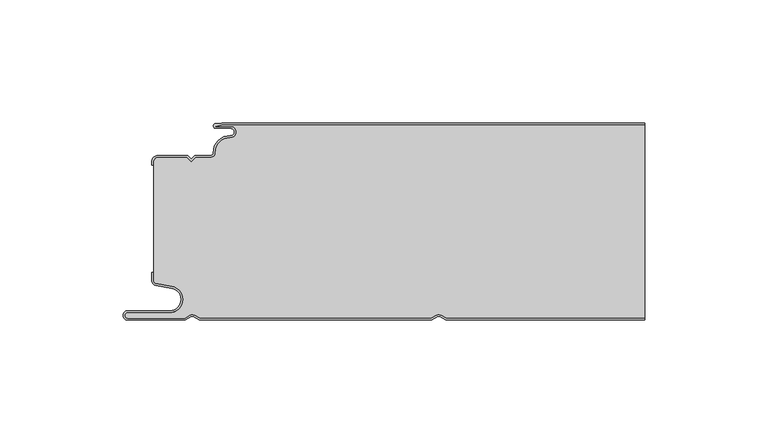
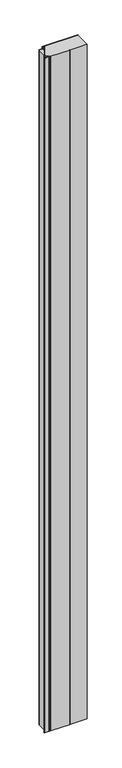
"""IFC4 building model written with IfcOpenShell, lengths in millimetres: plate geometry."""

import ifcopenshell
import ifcopenshell.guid

model = None  # the IFC model being written
_history = None  # IfcOwnerHistory: only IFC2X3 demands one
_inside = {}  # id of a spatial element -> (the spatial element, [elements in it])
_under = {}  # id of a project, library or spatial element -> (it, [spatial elements below it])
_declared = {}  # id of a project -> (the project, [libraries it declares])
_typed = {}  # id of a type object -> (the type object, [elements of that type])
_made_of = {}  # id of a material, layer set ... -> (it, [elements and type objects made of it])


def new_model(schema):
    """Start an empty IFC model of exactly this schema.

    Asked for "IFC4X3", IfcOpenShell would pick the latest addendum, in which some entities
    have other attributes; the version numbers below select the first issue.
    IFC2X3 requires an IfcOwnerHistory on every rooted entity: one is made here for all.
    """
    global model, _history
    if schema == "IFC4X3":
        model = ifcopenshell.file(schema_version=(4, 3, 0, 0))
    else:
        model = ifcopenshell.file(schema=schema)
    _inside.clear()
    _under.clear()
    _declared.clear()
    _typed.clear()
    _made_of.clear()
    _history = None
    if model.schema == "IFC2X3":
        org = make("IfcOrganization", Name="unknown")
        user = make(
            "IfcPersonAndOrganization",
            ThePerson=make("IfcPerson", FamilyName="unknown"),
            TheOrganization=org,
        )
        app = make(
            "IfcApplication",
            ApplicationDeveloper=org,
            Version="unknown",
            ApplicationFullName="unknown",
            ApplicationIdentifier="unknown",
        )
        _history = make(
            "IfcOwnerHistory",
            OwningUser=user,
            OwningApplication=app,
            ChangeAction="ADDED",
            CreationDate=0,
        )
    return model


def make(cls, **values):
    """One entity of the class cls with the attributes given. An attribute that is None is left unset."""
    return model.create_entity(
        cls, **{name: value for name, value in values.items() if value is not None}
    )


def rooted(cls, **values):
    """An entity with a GlobalId (a new one), such as an element, a storey or a relation."""
    return make(cls, GlobalId=ifcopenshell.guid.new(), OwnerHistory=_history, **values)


def si_unit(unit_type, name, prefix=None):
    """IfcSIUnit, for example si_unit("LENGTHUNIT", "METRE", prefix="MILLI")."""
    return make("IfcSIUnit", UnitType=unit_type, Prefix=prefix, Name=name)


def assignment(units):
    """IfcUnitAssignment: the units of a project."""
    return None if units is None else make("IfcUnitAssignment", Units=units)


def point(xyz):
    """IfcCartesianPoint."""
    return None if xyz is None else make("IfcCartesianPoint", Coordinates=xyz)


def direction(xyz):
    """IfcDirection."""
    return None if xyz is None else make("IfcDirection", DirectionRatios=xyz)


def frame(location, z_axis=None, x_axis=None):
    """IfcAxis2Placement3D, a coordinate frame: its origin and axes. An axis left out is left unset."""
    return make(
        "IfcAxis2Placement3D",
        Location=point(location),
        Axis=direction(z_axis),
        RefDirection=direction(x_axis),
    )


def frame_2d(location, x_axis=None):
    """IfcAxis2Placement2D, a coordinate frame in the plane: its origin and x axis."""
    return make(
        "IfcAxis2Placement2D", Location=point(location), RefDirection=direction(x_axis)
    )


def origin():
    """The frame at (0, 0, 0) with its axes left unset."""
    return frame((0.0, 0.0, 0.0))


def origin_with_axes():
    """The frame at (0, 0, 0) with the z axis (0, 0, 1) and the x axis (1, 0, 0) written out."""
    return frame((0.0, 0.0, 0.0), z_axis=(0.0, 0.0, 1.0), x_axis=(1.0, 0.0, 0.0))


def place(relative_to, where):
    """IfcLocalPlacement: puts the frame where relative to a parent placement (None: the world)."""
    return make(
        "IfcLocalPlacement", PlacementRelTo=relative_to, RelativePlacement=where
    )


def context(
    kind, dimensions, precision=None, world=None, true_north=None, identifier=None
):
    """IfcGeometricRepresentationContext, for example the 3D "Model" context."""
    return make(
        "IfcGeometricRepresentationContext",
        ContextIdentifier=identifier,
        ContextType=kind,
        CoordinateSpaceDimension=dimensions,
        Precision=precision,
        WorldCoordinateSystem=world,
        TrueNorth=true_north,
    )


def project(units=None, contexts=None):
    """IfcProject with its units and contexts."""
    return rooted(
        "IfcProject",
        Name="project",
        RepresentationContexts=contexts,
        UnitsInContext=assignment(units),
    )


def spatial(cls, under=None, at=None, **own):
    """A site, building, storey or space (cls), placed at a placement, below another one or the project."""
    s = rooted(cls, ObjectPlacement=at, **own)
    if under is not None:
        _under.setdefault(under.id(), (under, []))[1].append(s)
    return s


def polyline(points):
    """IfcPolyline through the points."""
    return make("IfcPolyline", Points=[point(p) for p in points])


def circle_curve(where, radius):
    """IfcCircle in the frame where."""
    return make("IfcCircle", Position=where, Radius=radius)


def trimmed(basis, trim1, trim2, sense, master):
    """IfcTrimmedCurve: the piece of a basis curve between two trims."""
    return make(
        "IfcTrimmedCurve",
        BasisCurve=basis,
        Trim1=trim1,
        Trim2=trim2,
        SenseAgreement=sense,
        MasterRepresentation=master,
    )


def segment(curve, same_sense, transition):
    """IfcCompositeCurveSegment."""
    return make(
        "IfcCompositeCurveSegment",
        Transition=transition,
        SameSense=same_sense,
        ParentCurve=curve,
    )


def composite_curve(segments, self_intersect=None):
    """IfcCompositeCurve: segments joined end to end."""
    return make("IfcCompositeCurve", Segments=segments, SelfIntersect=self_intersect)


def outline(outer, holes=None, kind="AREA"):
    """IfcArbitraryClosedProfileDef: a profile drawn as a closed curve; with holes, ...WithVoids."""
    if holes is None:
        return make("IfcArbitraryClosedProfileDef", ProfileType=kind, OuterCurve=outer)
    return make(
        "IfcArbitraryProfileDefWithVoids",
        ProfileType=kind,
        OuterCurve=outer,
        InnerCurves=holes,
    )


def extrude(swept, where, along, depth):
    """IfcExtrudedAreaSolid: the profile swept, set in the frame where, extruded along a direction by depth."""
    return make(
        "IfcExtrudedAreaSolid",
        SweptArea=swept,
        Position=where,
        ExtrudedDirection=direction(along),
        Depth=depth,
    )


def shape(context_of_items, identifier, shape_type, items):
    """IfcShapeRepresentation: the items that make up one representation, for example the "Body"."""
    return make(
        "IfcShapeRepresentation",
        ContextOfItems=context_of_items,
        RepresentationIdentifier=identifier,
        RepresentationType=shape_type,
        Items=items,
    )


def source(mapping_origin, context_of_items, identifier, shape_type, items):
    """IfcRepresentationMap: a shape defined once, which mapped items show again and again."""
    return make(
        "IfcRepresentationMap",
        MappingOrigin=mapping_origin,
        MappedRepresentation=shape(context_of_items, identifier, shape_type, items),
    )


def transform(
    local_origin,
    x_axis=None,
    y_axis=None,
    z_axis=None,
    scale=None,
    scale2=None,
    scale3=None,
    uniform=True,
):
    """IfcCartesianTransformationOperator3D, or its non-uniform kind. x_axis, y_axis, z_axis: its Axis1, 2, 3."""
    if uniform:
        return make(
            "IfcCartesianTransformationOperator3D",
            Axis1=direction(x_axis),
            Axis2=direction(y_axis),
            LocalOrigin=point(local_origin),
            Scale=scale,
            Axis3=direction(z_axis),
        )
    return make(
        "IfcCartesianTransformationOperator3DnonUniform",
        Axis1=direction(x_axis),
        Axis2=direction(y_axis),
        LocalOrigin=point(local_origin),
        Scale=scale,
        Axis3=direction(z_axis),
        Scale2=scale2,
        Scale3=scale3,
    )


def mapped(mapping_source, mapping_target):
    """IfcMappedItem: shows the shape of a source again, moved by a transform."""
    return make(
        "IfcMappedItem", MappingSource=mapping_source, MappingTarget=mapping_target
    )


def made_of(thing, what):
    """Note that an element or type object is made of a material, layer set ...; save() writes the relation."""
    if what is not None:
        _made_of.setdefault(what.id(), (what, []))[1].append(thing)
    return thing


def element(
    cls,
    number,
    at=None,
    inside=None,
    cuts=None,
    type_object=None,
    material=None,
    context=None,
    identifier="Body",
    shape_type=None,
    held_by="IfcProductDefinitionShape",
    body=None,
    shapes=None,
    **own,
):
    """One element of the class cls, such as IfcWall. Its Tag is "e" and its number.

    at: its placement. inside: the storey or other place that contains it. cuts: it is an
    opening in that element (IfcRelVoidsElement). A single representation is given by context,
    identifier, shape_type and body (its items); several are given by shapes. held_by: the class
    of the entity that holds the representations. save() writes the other relations.
    """
    e = rooted(cls, Tag="e%d" % number, ObjectPlacement=at, **own)
    if body is not None:
        shapes = [shape(context, identifier, shape_type, body)]
    if shapes is not None:
        e.Representation = make(held_by, Representations=shapes)
    if inside is not None:
        _inside.setdefault(inside.id(), (inside, []))[1].append(e)
    if cuts is not None:
        rooted(
            "IfcRelVoidsElement", RelatingBuildingElement=cuts, RelatedOpeningElement=e
        )
    if type_object is not None:
        _typed.setdefault(type_object.id(), (type_object, []))[1].append(e)
    return made_of(e, material)


def aggregate(whole, parts):
    """IfcRelAggregates: a whole, such as a stair, and the parts it consists of."""
    return rooted("IfcRelAggregates", RelatingObject=whole, RelatedObjects=parts)


def save(model, path):
    """Write the relations noted so far, then the file.

    IfcRelAggregates (storeys below a building ...), IfcRelContainedInSpatialStructure (elements
    in a storey), IfcRelDefinesByType, IfcRelAssociatesMaterial and IfcRelDeclares: one each for
    every whole, place, type object, material and project.
    """
    for whole, parts in _under.values():
        aggregate(whole, parts)
    for where, things in _inside.values():
        rooted(
            "IfcRelContainedInSpatialStructure",
            RelatedElements=things,
            RelatingStructure=where,
        )
    for kind, things in _typed.values():
        rooted("IfcRelDefinesByType", RelatedObjects=things, RelatingType=kind)
    for what, things in _made_of.values():
        rooted("IfcRelAssociatesMaterial", RelatedObjects=things, RelatingMaterial=what)
    for by, libraries in _declared.values():
        rooted("IfcRelDeclares", RelatingContext=by, RelatedDefinitions=libraries)
    model.write(path)


def plane_surface(at):
    """IfcPlane: the flat surface through the origin of the frame at, square to its z axis."""
    return make("IfcPlane", Position=at)


def cylinder_surface(at, radius):
    """IfcCylindricalSurface: all points at the distance radius from the z axis of the frame at."""
    return make("IfcCylindricalSurface", Position=at, Radius=radius)


def revolved_surface(curve, axis_point, axis_direction):
    """IfcSurfaceOfRevolution: the curve turned about the line through axis_point along axis_direction."""
    return make(
        "IfcSurfaceOfRevolution",
        SweptCurve=make("IfcArbitraryOpenProfileDef", ProfileType="CURVE", Curve=curve),
        AxisPosition=make("IfcAxis1Placement", Location=point(axis_point), Axis=direction(axis_direction)),
    )


def advanced_brep(points, edges, surfaces, faces):
    """IfcAdvancedBrep: a solid bounded by faces that lie on surfaces and meet in shared edges.

    An edge is (start, end): straight between two places in points (the first is 0);
    or (start, end, curve); or (start, end, curve, False) where it runs against its curve.
    A face is (place in surfaces, loops), or (place, loops, False) where it looks against
    its surface's normal. A loop lists edges by number (the first is 1), with a minus sign
    where the edge is run from its end to its start. The first loop is the outer one.
    """
    corners = [point(p) for p in points]
    vertices = [make("IfcVertexPoint", VertexGeometry=c) for c in corners]
    made = []
    for start, end, *more in edges:
        made.append(
            make(
                "IfcEdgeCurve",
                EdgeStart=vertices[start],
                EdgeEnd=vertices[end],
                EdgeGeometry=more[0] if more else make("IfcPolyline", Points=[corners[start], corners[end]]),
                SameSense=more[1] if len(more) > 1 else True,
            )
        )
    hull = []
    for where, loops, *sense in faces:
        bounds = []
        for j, loop in enumerate(loops):
            ring = [make("IfcOrientedEdge", EdgeElement=made[abs(k) - 1], Orientation=k > 0) for k in loop]
            bounds.append(
                make(
                    "IfcFaceOuterBound" if j == 0 else "IfcFaceBound",
                    Bound=make("IfcEdgeLoop", EdgeList=ring),
                    Orientation=True,
                )
            )
        hull.append(make("IfcAdvancedFace", Bounds=bounds, FaceSurface=surfaces[where], SameSense=sense[0] if sense else True))
    return make("IfcAdvancedBrep", Outer=make("IfcClosedShell", CfsFaces=hull))


def plate_2a42a762(model_context):
    return source(origin(), model_context, "Body", "SolidModel", [
        advanced_brep(
        [(-71.6637731, -0.8, 3500.0), (-74.0000003, -1.3234618, 3500.0), (-68.0000003, -1.3234618, 3500.0), (-68.1134423, -5.9206625, 3500.0), (-74.1919837, -12.028303, 3500.0), (-76.0000003, -13.9234618, 3500.0), (-82.1686293, -13.9234618, 3500.0), (-84.0000002, -15.7548327, 3500.0), (-85.831371, -13.9234618, 3500.0), (-97.4, -13.9234618, 3500.0), (-99.2, -15.7234618, 3500.0), (-99.2, -64.0038437, 3500.0), (-98.2083778, -65.185613, 3500.0), (-91.7622998, -66.3222305, 3500.0), (-92.7, -77.0401924, 3500.0), (-109.7, -77.0401924, 3500.0), (-109.7, -79.2401924, 3500.0), (-86.6751286, -79.2401924, 3500.0), (-84.45, -77.9555137, 3500.0), (-82.7606357, -77.9494241, 3500.0), (-80.4557934, -79.2, 3500.0), (13.3944866, -79.2, 3500.0), (15.55, -77.9555137, 3500.0), (17.2393643, -77.9494241, 3500.0), (19.5442066, -79.2, 3500.0), (100.0, -79.2, 3500.0), (100.0, -0.8, 3500.0), (19.5442066, -79.2, 0.0), (17.2393643, -77.9494241, 0.0), (15.55, -77.9555137, 0.0), (13.3944866, -79.2, 0.0), (-80.4557934, -79.2, 0.0), (-82.7606357, -77.9494241, 0.0), (-84.45, -77.9555137, 0.0), (-86.6751286, -79.2401924, 0.0), (-109.7, -79.2401924, 0.0), (-109.7, -77.0401924, 0.0), (-92.7, -77.0401924, 0.0), (-91.7622998, -66.3222305, 0.0), (-98.2083778, -65.185613, 0.0), (-99.2, -64.0038437, 0.0), (-99.2, -15.7234618, 0.0), (-97.4, -13.9234618, 0.0), (-85.831371, -13.9234618, 0.0), (-84.0000002, -15.7548327, 0.0), (-82.1686293, -13.9234618, 0.0), (-76.0000003, -13.9234618, 0.0), (-74.2024882, -12.0288559, 0.0), (-68.1139291, -5.930521, 0.0), (-68.0000003, -1.3234618, 0.0), (-74.0000003, -1.3234618, 0.0), (-71.6637731, -0.8, 0.0), (100.0, -0.8, 0.0), (100.0, -79.2, 0.0)],
        [
            (0, 1),
            (1, 2),
            (2, 3, circle_curve(frame((-68.0000003, -3.6234618, 3500.0), z_axis=(0.0, 0.0, -1.0), x_axis=(1.0, 0.0, 0.0)), 2.3)),
            (3, 4, circle_curve(frame((-68.4000003, -11.7234618, 3500.0), z_axis=(0.0, 0.0, 1.0), x_axis=(1.0, 0.0, 0.0)), 5.8)),
            (4, 5, circle_curve(frame((-76.0000003, -12.1234618, 3500.0), z_axis=(0.0, 0.0, -1.0), x_axis=(1.0, 0.0, 0.0)), 1.8)),
            (5, 6),
            (6, 7),
            (7, 8),
            (8, 9),
            (9, 10, circle_curve(frame((-97.4, -15.7234618, 3500.0), z_axis=(0.0, 0.0, 1.0), x_axis=(1.0, 0.0, 0.0)), 1.8)),
            (10, 11),
            (11, 12, circle_curve(frame((-98.0, -64.0038437, 3500.0), z_axis=(0.0, 0.0, 1.0), x_axis=(1.0, 0.0, 0.0)), 1.2)),
            (12, 13),
            (13, 14, circle_curve(frame((-92.7, -71.6401924, 3500.0), z_axis=(0.0, 0.0, -1.0), x_axis=(1.0, 0.0, 0.0)), 5.4)),
            (14, 15),
            (15, 16, circle_curve(frame((-109.7, -78.1401924, 3500.0), z_axis=(0.0, 0.0, 1.0), x_axis=(1.0, 0.0, 0.0)), 1.1)),
            (16, 17),
            (17, 18),
            (18, 19, circle_curve(frame((-83.6, -79.4277569, 3500.0), z_axis=(0.0, 0.0, -1.0), x_axis=(1.0, 0.0, 0.0)), 1.7)),
            (19, 20),
            (20, 21),
            (21, 22),
            (22, 23, circle_curve(frame((16.4, -79.4277569, 3500.0), z_axis=(0.0, 0.0, -1.0), x_axis=(1.0, 0.0, 0.0)), 1.7)),
            (23, 24),
            (24, 25),
            (25, 26),
            (26, 0),
            (27, 28),
            (28, 29, circle_curve(frame((16.4, -79.4277569, 0.0), z_axis=(0.0, 0.0, 1.0), x_axis=(1.0, 0.0, 0.0)), 1.7)),
            (29, 30),
            (30, 31),
            (31, 32),
            (32, 33, circle_curve(frame((-83.6, -79.4277569, 0.0), z_axis=(0.0, 0.0, 1.0), x_axis=(1.0, 0.0, 0.0)), 1.7)),
            (33, 34),
            (34, 35),
            (35, 36, circle_curve(frame((-109.7, -78.1401924, 0.0), z_axis=(0.0, 0.0, -1.0), x_axis=(1.0, 0.0, 0.0)), 1.1)),
            (36, 37),
            (37, 38, circle_curve(frame((-92.7, -71.6401924, 0.0), z_axis=(0.0, 0.0, 1.0), x_axis=(1.0, 0.0, 0.0)), 5.4)),
            (38, 39),
            (39, 40, circle_curve(frame((-98.0, -64.0038437, 0.0), z_axis=(0.0, 0.0, -1.0), x_axis=(1.0, 0.0, 0.0)), 1.2)),
            (40, 41),
            (41, 42, circle_curve(frame((-97.4, -15.7234618, 0.0), z_axis=(0.0, 0.0, -1.0), x_axis=(1.0, 0.0, 0.0)), 1.8)),
            (42, 43),
            (43, 44),
            (44, 45),
            (45, 46),
            (46, 47, circle_curve(frame((-76.0000003, -12.1234618, 0.0), z_axis=(0.0, 0.0, 1.0), x_axis=(1.0, 0.0, 0.0)), 1.8)),
            (47, 48, circle_curve(frame((-68.4000003, -11.7234618, 0.0), z_axis=(0.0, 0.0, -1.0), x_axis=(1.0, 0.0, 0.0)), 5.8)),
            (48, 49, circle_curve(frame((-68.0000003, -3.6234618, 0.0), z_axis=(0.0, 0.0, 1.0), x_axis=(1.0, 0.0, 0.0)), 2.3)),
            (49, 50),
            (50, 51),
            (51, 52),
            (52, 53),
            (53, 27),
            (51, 0),
            (26, 52),
            (50, 1),
            (49, 2),
            (48, 3),
            (47, 4),
            (46, 5),
            (45, 6),
            (44, 7),
            (43, 8),
            (42, 9),
            (41, 10),
            (40, 11),
            (39, 12),
            (38, 13),
            (37, 14),
            (36, 15),
            (35, 16),
            (34, 17),
            (33, 18),
            (32, 19),
            (31, 20),
            (30, 21),
            (29, 22),
            (28, 23),
            (27, 24),
            (53, 25),
        ],
        [
            plane_surface(frame((-100.0, -80.0, 3500.0), z_axis=(0.0, 0.0, 1.0), x_axis=(0.0, 1.0, 0.0))),
            plane_surface(frame((-100.0, -80.0, 0.0), z_axis=(0.0, 0.0, -1.0), x_axis=(0.0, 1.0, 0.0))),
            plane_surface(frame((922.5460884, -0.8, 3500.0), z_axis=(0.0, 1.0, 0.0), x_axis=(0.0, 0.0, -1.0))),
            plane_surface(frame((-71.6637731, -0.8, 3500.0), z_axis=(-0.21864173282829805, 0.9758052022129412, 0.0), x_axis=(0.0, 0.0, -1.0))),
            plane_surface(frame((-74.0000003, -1.3234618, 3500.0), z_axis=(0.0, -1.0, 0.0), x_axis=(0.0, 0.0, -1.0))),
            revolved_surface(polyline([(-65.7000003, -3.6234618, 0.0), (-65.7000003, -3.6234618, 3500.0)]), (-68.0000003, -3.6234618, 3500.0), (0.0, 0.0, -1.0)),
            cylinder_surface(frame((-68.4000003, -11.7234618, 3500.0), z_axis=(0.0, 0.0, 1.0), x_axis=(1.0, 0.0, 0.0)), 5.8),
            revolved_surface(polyline([(-74.2000003, -12.1234618, 0.0), (-74.2000003, -12.1234618, 3500.0)]), (-76.0000003, -12.1234618, 3500.0), (0.0, 0.0, -1.0)),
            plane_surface(frame((-76.0000003, -13.9234618, 3500.0), z_axis=(0.0, 1.0, 0.0), x_axis=(0.0, 0.0, -1.0))),
            plane_surface(frame((-82.1686293, -13.9234618, 3500.0), z_axis=(-0.7071067810231402, 0.7071067813499549, 0.0), x_axis=(0.0, 0.0, -1.0))),
            plane_surface(frame((-84.0000002, -15.7548327, 3500.0), z_axis=(0.7071067813499549, 0.7071067810231403, 0.0), x_axis=(0.0, 0.0, -1.0))),
            plane_surface(frame((-85.831371, -13.9234618, 3500.0), z_axis=(0.0, 1.0, 0.0), x_axis=(0.0, 0.0, -1.0))),
            cylinder_surface(frame((-97.4, -15.7234618, 3500.0), z_axis=(0.0, 0.0, 1.0), x_axis=(1.0, 0.0, 0.0)), 1.8),
            plane_surface(frame((-99.2, -17.1226667, 3500.0), z_axis=(-1.0, 0.0, 0.0), x_axis=(0.0, 0.0, -1.0))),
            cylinder_surface(frame((-98.0, -64.0038437, 3500.0), z_axis=(0.0, 0.0, 1.0), x_axis=(1.0, 0.0, 0.0)), 1.2),
            plane_surface(frame((-98.2083778, -65.185613, 3500.0), z_axis=(-0.1736481776669248, -0.984807753012209, 0.0), x_axis=(0.0, 0.0, -1.0))),
            revolved_surface(polyline([(-87.3, -71.6401924, 0.0), (-87.3, -71.6401924, 3500.0)]), (-92.7, -71.6401924, 3500.0), (0.0, 0.0, -1.0)),
            plane_surface(frame((-92.7, -77.0401924, 3500.0), z_axis=(0.0, 1.0, 0.0), x_axis=(0.0, 0.0, -1.0))),
            cylinder_surface(frame((-109.7, -78.1401924, 3500.0), z_axis=(0.0, 0.0, 1.0), x_axis=(1.0, 0.0, 0.0)), 1.1),
            plane_surface(frame((-109.7, -79.2401924, 3500.0), z_axis=(0.0, -1.0, 0.0), x_axis=(0.0, 0.0, -1.0))),
            plane_surface(frame((-86.6751286, -79.2401924, 3500.0), z_axis=(0.5000000299311667, -0.8660253865036709, 0.0), x_axis=(0.0, 0.0, -1.0))),
            revolved_surface(polyline([(-81.89999999999999, -79.4277569, 0.0), (-81.89999999999999, -79.4277569, 3500.0)]), (-83.6, -79.4277569, 3500.0), (0.0, 0.0, -1.0)),
            plane_surface(frame((-82.7606357, -77.9494241, 3500.0), z_axis=(-0.47690797328217005, -0.878953232555574, 0.0), x_axis=(0.0, 0.0, -1.0))),
            plane_surface(frame((-80.4557934, -79.2, 3500.0), z_axis=(0.0, -1.0, 0.0), x_axis=(0.0, 0.0, -1.0))),
            plane_surface(frame((13.3944866, -79.2, 3500.0), z_axis=(0.5000000299307237, -0.8660253865039267, 0.0), x_axis=(0.0, 0.0, -1.0))),
            revolved_surface(polyline([(18.099999999999998, -79.4277569, 0.0), (18.099999999999998, -79.4277569, 3500.0)]), (16.4, -79.4277569, 3500.0), (0.0, 0.0, -1.0)),
            plane_surface(frame((17.2393643, -77.9494241, 3500.0), z_axis=(-0.4769079732821666, -0.8789532325555759, 0.0), x_axis=(0.0, 0.0, -1.0))),
            plane_surface(frame((19.5442066, -79.2, 3500.0), z_axis=(0.0, -1.0, 0.0), x_axis=(0.0, 0.0, -1.0))),
            plane_surface(frame((100.0, 0.0, 3500.0), z_axis=(1.0, 0.0, 0.0), x_axis=(0.0, 0.0, -1.0))),
        ],
        [
            (0, [[1, 2, 3, 4, 5, 6, 7, 8, 9, 10, 11, 12, 13, 14, 15, 16, 17, 18, 19, 20, 21, 22, 23, 24, 25, 26, 27]]),
            (1, [[28, 29, 30, 31, 32, 33, 34, 35, 36, 37, 38, 39, 40, 41, 42, 43, 44, 45, 46, 47, 48, 49, 50, 51, 52, 53, 54]]),
            (2, [[55, -27, 56, -52]]),
            (3, [[-1, -55, -51, 57]]),
            (4, [[-2, -57, -50, 58]]),
            (5, [[-3, -58, -49, 59]]),
            (6, [[-4, -59, -48, 60]]),
            (7, [[-5, -60, -47, 61]]),
            (8, [[-6, -61, -46, 62]]),
            (9, [[-7, -62, -45, 63]]),
            (10, [[-8, -63, -44, 64]]),
            (11, [[-9, -64, -43, 65]]),
            (12, [[-10, -65, -42, 66]]),
            (13, [[-11, -66, -41, 67]]),
            (14, [[-12, -67, -40, 68]]),
            (15, [[-13, -68, -39, 69]]),
            (16, [[-14, -69, -38, 70]]),
            (17, [[-15, -70, -37, 71]]),
            (18, [[-16, -71, -36, 72]]),
            (19, [[-17, -72, -35, 73]]),
            (20, [[-18, -73, -34, 74]]),
            (21, [[-19, -74, -33, 75]]),
            (22, [[-20, -75, -32, 76]]),
            (23, [[-21, -76, -31, 77]]),
            (24, [[-22, -77, -30, 78]]),
            (25, [[-23, -78, -29, 79]]),
            (26, [[-24, -79, -28, 80]]),
            (27, [[-80, -54, 81, -25]]),
            (28, [[-26, -81, -53, -56]]),
        ],
    ),
        extrude(outline(composite_curve([segment(trimmed(circle_curve(frame_2d((-98.0, -63.9636514)), 2.0), [point((-98.3472964, -65.9332669))], [point((-100.0, -63.9636514))], False, "CARTESIAN"), True, "CONTINUOUS"), segment(polyline([(-100.0, -63.9636514), (-100.0, -60.6), (-99.2, -60.6), (-99.2, -63.9636514)]), True, "CONTINUOUS"), segment(trimmed(circle_curve(frame_2d((-98.0, -63.9636514)), 1.2), [point((-99.2, -63.9636514))], [point((-98.2083778, -65.1454207))], True, "CARTESIAN"), True, "CONTINUOUS"), segment(polyline([(-98.2083778, -65.1454207), (-91.7622998, -66.2820381)]), True, "CONTINUOUS"), segment(trimmed(circle_curve(frame_2d((-92.7, -71.6)), 5.4), [point((-91.7622998, -66.2820381))], [point((-92.7, -77.0))], False, "CARTESIAN"), True, "CONTINUOUS"), segment(polyline([(-92.7, -77.0), (-109.7, -77.0)]), True, "CONTINUOUS"), segment(trimmed(circle_curve(frame_2d((-109.7, -78.1)), 1.1), [point((-109.7, -77.0))], [point((-109.7, -79.2))], True, "CARTESIAN"), True, "CONTINUOUS"), segment(polyline([(-109.7, -79.2), (-86.6751286, -79.2), (-84.45, -77.9153213)]), True, "CONTINUOUS"), segment(trimmed(circle_curve(frame_2d((-83.6, -79.3875645)), 1.7), [point((-84.45, -77.9153213))], [point((-82.7606357, -77.9092318))], False, "CARTESIAN"), True, "CONTINUOUS"), segment(polyline([(-82.7606357, -77.9092318), (-80.4557934, -79.1598076), (13.3944866, -79.1598076), (15.5499999, -77.9153213)]), True, "CONTINUOUS"), segment(trimmed(circle_curve(frame_2d((16.4, -79.3875645)), 1.7), [point((15.5499999, -77.9153213))], [point((17.2393643, -77.9092318))], False, "CARTESIAN"), True, "CONTINUOUS"), segment(polyline([(17.2393643, -77.9092318), (19.5442066, -79.1598076), (100.0, -79.1598076), (100.0, -79.9598076), (19.341154, -79.9598076), (16.85, -78.6081416)]), True, "CONTINUOUS"), segment(trimmed(circle_curve(frame_2d((16.4, -79.3875645)), 0.9), [point((16.85, -78.6081416))], [point((15.95, -78.6081416))], True, "CARTESIAN"), True, "CONTINUOUS"), segment(polyline([(15.95, -78.6081416), (13.608846, -79.9598076), (-80.658846, -79.9598076), (-83.15, -78.6081416)]), True, "CONTINUOUS"), segment(trimmed(circle_curve(frame_2d((-83.6, -79.3875645)), 0.9), [point((-83.15, -78.6081416))], [point((-84.05, -78.6081416))], True, "CARTESIAN"), True, "CONTINUOUS"), segment(polyline([(-84.05, -78.6081416), (-86.4607692, -80.0), (-109.7, -80.0)]), True, "CONTINUOUS"), segment(trimmed(circle_curve(frame_2d((-109.7, -78.1)), 1.9), [point((-109.7, -80.0))], [point((-109.7, -76.2))], False, "CARTESIAN"), True, "CONTINUOUS"), segment(polyline([(-109.7, -76.2), (-92.7, -76.2)]), True, "CONTINUOUS"), segment(trimmed(circle_curve(frame_2d((-92.7, -71.6)), 4.6), [point((-92.7, -76.2))], [point((-91.9012184, -67.0698843))], True, "CARTESIAN"), True, "CONTINUOUS"), segment(polyline([(-91.9012184, -67.0698843), (-98.3472964, -65.9332669)]), True, "CONTINUOUS")], self_intersect=False)), origin_with_axes(), (0.0, 0.0, 1.0), 3500.0),
        advanced_brep(
        [(-71.6850913, 0.0, 3500.0), (-74.0000003, -0.1234618, 3500.0), (-74.0000003, -2.1234618, 3500.0), (-68.0000003, -2.1234618, 3500.0), (-68.0739842, -5.1216362, 3500.0), (-74.990878, -12.0703501, 3500.0), (-76.0000003, -13.1234618, 3500.0), (-82.5000001, -13.1234618, 3500.0), (-84.0000002, -14.6234618, 3500.0), (-85.5000001, -13.1234618, 3500.0), (-97.4, -13.1234618, 3500.0), (-100.0, -15.7234618, 3500.0), (-100.0, -17.1226667, 3500.0), (-99.2, -17.1226667, 3500.0), (-99.2, -15.7234618, 3500.0), (-97.4, -13.9234618, 3500.0), (-85.831371, -13.9234618, 3500.0), (-84.0000002, -15.7548327, 3500.0), (-82.1686293, -13.9234618, 3500.0), (-76.0000003, -13.9234618, 3500.0), (-74.2024882, -12.0288559, 3500.0), (-68.1139291, -5.930521, 3500.0), (-68.0000003, -1.3234618, 3500.0), (-74.0000003, -1.3234618, 3500.0), (-71.6637731, -0.8, 3500.0), (100.0, -0.8, 3500.0), (100.0, 0.0, 3500.0), (-71.6637731, -0.8, 0.0), (-74.0000003, -1.3234618, 0.0), (-68.0000003, -1.3234618, 0.0), (-68.1134423, -5.9206625, 0.0), (-74.1919837, -12.028303, 0.0), (-76.0000003, -13.9234618, 0.0), (-82.1686293, -13.9234618, 0.0), (-84.0000002, -15.7548327, 0.0), (-85.831371, -13.9234618, 0.0), (-97.4, -13.9234618, 0.0), (-99.2, -15.7234618, 0.0), (-99.2, -17.1226667, 0.0), (-100.0, -17.1226667, 0.0), (-100.0, -15.7234618, 0.0), (-97.4, -13.1234618, 0.0), (-85.5000001, -13.1234618, 0.0), (-84.0000002, -14.6234618, 0.0), (-82.5000001, -13.1234618, 0.0), (-76.0000003, -13.1234618, 0.0), (-75.0013825, -12.070903, 0.0), (-68.0744711, -5.1314947, 0.0), (-68.0000003, -2.1234618, 0.0), (-74.0000003, -2.1234618, 0.0), (-74.0000003, -0.1234618, 0.0), (-71.6850913, 0.0, 0.0), (100.0, 0.0, 0.0), (100.0, -0.8, 0.0)],
        [
            (0, 1),
            (1, 2, circle_curve(frame((-74.0000003, -1.1234618, 3500.0), z_axis=(0.0, 0.0, 1.0), x_axis=(1.0, 0.0, 0.0)), 1.0)),
            (2, 3),
            (3, 4, circle_curve(frame((-68.0000003, -3.6234618, 3500.0), z_axis=(0.0, 0.0, -1.0), x_axis=(1.0, 0.0, 0.0)), 1.5)),
            (4, 5, circle_curve(frame((-68.4000003, -11.7234618, 3500.0), z_axis=(0.0, 0.0, 1.0), x_axis=(1.0, 0.0, 0.0)), 6.6)),
            (5, 6, circle_curve(frame((-76.0000003, -12.1234618, 3500.0), z_axis=(0.0, 0.0, -1.0), x_axis=(1.0, 0.0, 0.0)), 1.0)),
            (6, 7),
            (7, 8),
            (8, 9),
            (9, 10),
            (10, 11, circle_curve(frame((-97.4, -15.7234618, 3500.0), z_axis=(0.0, 0.0, 1.0), x_axis=(1.0, 0.0, 0.0)), 2.6)),
            (11, 12),
            (12, 13),
            (13, 14),
            (14, 15, circle_curve(frame((-97.4, -15.7234618, 3500.0), z_axis=(0.0, 0.0, -1.0), x_axis=(1.0, 0.0, 0.0)), 1.8)),
            (15, 16),
            (16, 17),
            (17, 18),
            (18, 19),
            (19, 20, circle_curve(frame((-76.0000003, -12.1234618, 3500.0), z_axis=(0.0, 0.0, 1.0), x_axis=(1.0, 0.0, 0.0)), 1.8)),
            (20, 21, circle_curve(frame((-68.4000003, -11.7234618, 3500.0), z_axis=(0.0, 0.0, -1.0), x_axis=(1.0, 0.0, 0.0)), 5.8)),
            (21, 22, circle_curve(frame((-68.0000003, -3.6234618, 3500.0), z_axis=(0.0, 0.0, 1.0), x_axis=(1.0, 0.0, 0.0)), 2.3)),
            (22, 23),
            (23, 24),
            (24, 25),
            (25, 26),
            (26, 0),
            (27, 28),
            (28, 29),
            (29, 30, circle_curve(frame((-68.0000003, -3.6234618, 0.0), z_axis=(0.0, 0.0, -1.0), x_axis=(1.0, 0.0, 0.0)), 2.3)),
            (30, 31, circle_curve(frame((-68.4000003, -11.7234618, 0.0), z_axis=(0.0, 0.0, 1.0), x_axis=(1.0, 0.0, 0.0)), 5.8)),
            (31, 32, circle_curve(frame((-76.0000003, -12.1234618, 0.0), z_axis=(0.0, 0.0, -1.0), x_axis=(1.0, 0.0, 0.0)), 1.8)),
            (32, 33),
            (33, 34),
            (34, 35),
            (35, 36),
            (36, 37, circle_curve(frame((-97.4, -15.7234618, 0.0), z_axis=(0.0, 0.0, 1.0), x_axis=(1.0, 0.0, 0.0)), 1.8)),
            (37, 38),
            (38, 39),
            (39, 40),
            (40, 41, circle_curve(frame((-97.4, -15.7234618, 0.0), z_axis=(0.0, 0.0, -1.0), x_axis=(1.0, 0.0, 0.0)), 2.6)),
            (41, 42),
            (42, 43),
            (43, 44),
            (44, 45),
            (45, 46, circle_curve(frame((-76.0000003, -12.1234618, 0.0), z_axis=(0.0, 0.0, 1.0), x_axis=(1.0, 0.0, 0.0)), 1.0)),
            (46, 47, circle_curve(frame((-68.4000003, -11.7234618, 0.0), z_axis=(0.0, 0.0, -1.0), x_axis=(1.0, 0.0, 0.0)), 6.6)),
            (47, 48, circle_curve(frame((-68.0000003, -3.6234618, 0.0), z_axis=(0.0, 0.0, 1.0), x_axis=(1.0, 0.0, 0.0)), 1.5)),
            (48, 49),
            (49, 50, circle_curve(frame((-74.0000003, -1.1234618, 0.0), z_axis=(0.0, 0.0, -1.0), x_axis=(1.0, 0.0, 0.0)), 1.0)),
            (50, 51),
            (51, 52),
            (52, 53),
            (53, 27),
            (51, 0),
            (26, 52),
            (50, 1),
            (49, 2),
            (48, 3),
            (47, 4),
            (46, 5),
            (45, 6),
            (44, 7),
            (43, 8),
            (42, 9),
            (41, 10),
            (40, 11),
            (39, 12),
            (38, 13),
            (37, 14),
            (36, 15),
            (35, 16),
            (34, 17),
            (33, 18),
            (32, 19),
            (31, 20),
            (30, 21),
            (29, 22),
            (28, 23),
            (27, 24),
            (53, 25),
        ],
        [
            plane_surface(frame((-100.0, 0.0, 3500.0), z_axis=(0.0, 0.0, 1.0), x_axis=(0.0, 1.0, 0.0))),
            plane_surface(frame((-100.0, 0.0, 0.0), z_axis=(0.0, 0.0, -1.0), x_axis=(0.0, 1.0, 0.0))),
            plane_surface(frame((922.5460884, 0.0, 3500.0), z_axis=(0.0, 1.0, 0.0), x_axis=(0.0, 0.0, -1.0))),
            plane_surface(frame((-71.6850913, 0.0, 3500.0), z_axis=(-0.053257642916100786, 0.9985808046778293, 0.0), x_axis=(0.0, 0.0, -1.0))),
            cylinder_surface(frame((-74.0000003, -1.1234618, 3500.0), z_axis=(0.0, 0.0, 1.0), x_axis=(1.0, 0.0, 0.0)), 1.0),
            plane_surface(frame((-74.0000003, -2.1234618, 3500.0), z_axis=(0.0, -1.0, 0.0), x_axis=(0.0, 0.0, -1.0))),
            revolved_surface(polyline([(-66.5000003, -3.6234618, 0.0), (-66.5000003, -3.6234618, 3500.0)]), (-68.0000003, -3.6234618, 3500.0), (0.0, 0.0, -1.0)),
            cylinder_surface(frame((-68.4000003, -11.7234618, 3500.0), z_axis=(0.0, 0.0, 1.0), x_axis=(1.0, 0.0, 0.0)), 6.6),
            revolved_surface(polyline([(-75.0000003, -12.1234618, 0.0), (-75.0000003, -12.1234618, 3500.0)]), (-76.0000003, -12.1234618, 3500.0), (0.0, 0.0, -1.0)),
            plane_surface(frame((-76.0000003, -13.1234618, 3500.0), z_axis=(0.0, 1.0, 0.0), x_axis=(0.0, 0.0, -1.0))),
            plane_surface(frame((-82.5000001, -13.1234618, 3500.0), z_axis=(-0.7071067810229229, 0.7071067813501721, 0.0), x_axis=(0.0, 0.0, -1.0))),
            plane_surface(frame((-84.0000002, -14.6234618, 3500.0), z_axis=(0.7071067813500019, 0.7071067810230931, 0.0), x_axis=(0.0, 0.0, -1.0))),
            plane_surface(frame((-85.5000001, -13.1234618, 3500.0), z_axis=(0.0, 1.0, 0.0), x_axis=(0.0, 0.0, -1.0))),
            cylinder_surface(frame((-97.4, -15.7234618, 3500.0), z_axis=(0.0, 0.0, 1.0), x_axis=(1.0, 0.0, 0.0)), 2.6),
            plane_surface(frame((-100.0, -15.7234618, 3500.0), z_axis=(-1.0, 0.0, 0.0), x_axis=(0.0, 0.0, -1.0))),
            plane_surface(frame((-100.0, -17.1226667, 3500.0), z_axis=(0.0, -1.0, 0.0), x_axis=(0.0, 0.0, -1.0))),
            plane_surface(frame((-99.2, -17.1226667, 3500.0), z_axis=(1.0, 0.0, 0.0), x_axis=(0.0, 0.0, -1.0))),
            revolved_surface(polyline([(-95.60000000000001, -15.7234618, 0.0), (-95.60000000000001, -15.7234618, 3500.0)]), (-97.4, -15.7234618, 3500.0), (0.0, 0.0, -1.0)),
            plane_surface(frame((-97.4, -13.9234618, 3500.0), z_axis=(0.0, -1.0, 0.0), x_axis=(0.0, 0.0, -1.0))),
            plane_surface(frame((-85.831371, -13.9234618, 3500.0), z_axis=(-0.7071067813500018, -0.7071067810230932, 0.0), x_axis=(0.0, 0.0, -1.0))),
            plane_surface(frame((-84.0000002, -15.7548327, 3500.0), z_axis=(0.7071067810229222, -0.7071067813501728, 0.0), x_axis=(0.0, 0.0, -1.0))),
            plane_surface(frame((-82.1686293, -13.9234618, 3500.0), z_axis=(0.0, -1.0, 0.0), x_axis=(0.0, 0.0, -1.0))),
            cylinder_surface(frame((-76.0000003, -12.1234618, 3500.0), z_axis=(0.0, 0.0, 1.0), x_axis=(1.0, 0.0, 0.0)), 1.8),
            revolved_surface(polyline([(-62.600000300000005, -11.7234618, 0.0), (-62.600000300000005, -11.7234618, 3500.0)]), (-68.4000003, -11.7234618, 3500.0), (0.0, 0.0, -1.0)),
            cylinder_surface(frame((-68.0000003, -3.6234618, 3500.0), z_axis=(0.0, 0.0, 1.0), x_axis=(1.0, 0.0, 0.0)), 2.3),
            plane_surface(frame((-68.0000003, -1.3234618, 3500.0), z_axis=(0.0, 1.0, 0.0), x_axis=(0.0, 0.0, -1.0))),
            plane_surface(frame((-74.0000003, -1.3234618, 3500.0), z_axis=(0.21864173282829105, -0.9758052022129429, 0.0), x_axis=(0.0, 0.0, -1.0))),
            plane_surface(frame((-71.6637731, -0.8, 3500.0), z_axis=(0.0, -1.0, 0.0), x_axis=(0.0, 0.0, -1.0))),
            plane_surface(frame((100.0, 0.0, 3500.0), z_axis=(1.0, 0.0, 0.0), x_axis=(0.0, 0.0, -1.0))),
        ],
        [
            (0, [[1, 2, 3, 4, 5, 6, 7, 8, 9, 10, 11, 12, 13, 14, 15, 16, 17, 18, 19, 20, 21, 22, 23, 24, 25, 26, 27]]),
            (1, [[28, 29, 30, 31, 32, 33, 34, 35, 36, 37, 38, 39, 40, 41, 42, 43, 44, 45, 46, 47, 48, 49, 50, 51, 52, 53, 54]]),
            (2, [[55, -27, 56, -52]]),
            (3, [[-1, -55, -51, 57]]),
            (4, [[-2, -57, -50, 58]]),
            (5, [[-3, -58, -49, 59]]),
            (6, [[-4, -59, -48, 60]]),
            (7, [[-5, -60, -47, 61]]),
            (8, [[-6, -61, -46, 62]]),
            (9, [[-7, -62, -45, 63]]),
            (10, [[-8, -63, -44, 64]]),
            (11, [[-9, -64, -43, 65]]),
            (12, [[-10, -65, -42, 66]]),
            (13, [[-11, -66, -41, 67]]),
            (14, [[-12, -67, -40, 68]]),
            (15, [[-13, -68, -39, 69]]),
            (16, [[-14, -69, -38, 70]]),
            (17, [[-15, -70, -37, 71]]),
            (18, [[-16, -71, -36, 72]]),
            (19, [[-17, -72, -35, 73]]),
            (20, [[-18, -73, -34, 74]]),
            (21, [[-19, -74, -33, 75]]),
            (22, [[-20, -75, -32, 76]]),
            (23, [[-21, -76, -31, 77]]),
            (24, [[-22, -77, -30, 78]]),
            (25, [[-23, -78, -29, 79]]),
            (26, [[-24, -79, -28, 80]]),
            (27, [[-80, -54, 81, -25]]),
            (28, [[-26, -81, -53, -56]]),
        ],
    ),
    ])


if __name__ == "__main__":
    model = new_model("IFC4")
    model_context = context("Model", 3, world=origin())
    ifc_project = project(units=[si_unit("LENGTHUNIT", "METRE", prefix="MILLI")], contexts=[model_context])
    site = spatial("IfcSite", under=ifc_project)
    building = spatial("IfcBuilding", under=site)
    placement = place(None, origin())
    plate_shape = plate_2a42a762(model_context)
    element("IfcPlate", 1, at=placement, inside=building, context=model_context, shape_type="MappedRepresentation", body=[
        mapped(plate_shape, transform((0.0, 0.0, 0.0), x_axis=(1.0, 0.0, 0.0), y_axis=(0.0, 1.0, 0.0), z_axis=(0.0, 0.0, 1.0))),
    ])
    save(model, "model.ifc")
